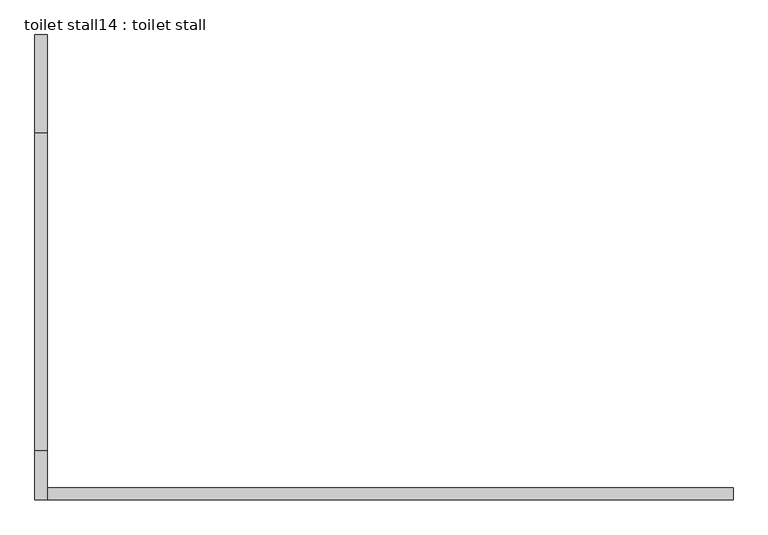
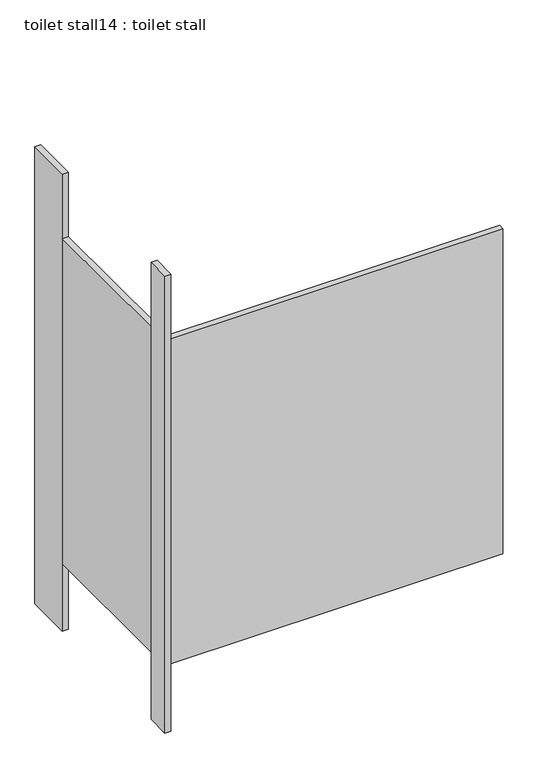
"""IFC4 building model written with IfcOpenShell, lengths in millimetres: proxy geometry, toilet stall14 : toilet stall."""

from ifc_helpers import new_model, si_unit, frame, origin, origin_with_axes, place, context, project, spatial, polyline, outline, extrude, source, transform, mapped, element, save


def toilet_stall14_toilet_stall_0826a6cd(model_context):
    return source(origin(), model_context, "Body", "SweptSolid", [
        extrude(outline(polyline([(454658.2004676, -278241.8988632), (454632.8004676, -278241.8988632), (454632.8004676, -278038.6988632), (454658.2004676, -278038.6988632), (454658.2004676, -278241.8988632)])), origin_with_axes(), (0.0, 0.0, 1.0), 2070.1),
        extrude(outline(polyline([(454658.2004676, -279003.8988632), (454632.8004676, -279003.8988632), (454632.8004676, -278902.2988632), (454658.2004676, -278902.2988632), (454658.2004676, -279003.8988632)])), origin_with_axes(), (0.0, 0.0, 1.0), 2070.1),
        extrude(outline(polyline([(454658.2004676, -279003.8988632), (454658.2004676, -278978.4988632), (456080.6004676, -278978.4988632), (456080.6004676, -279003.8988632), (454658.2004676, -279003.8988632)])), frame((0.0, 0.0, 304.8), z_axis=(0.0, 0.0, 1.0), x_axis=(1.0, 0.0, 0.0)), (0.0, 0.0, 1.0), 1473.2),
        extrude(outline(polyline([(454658.2004676, -278902.2988632), (454632.8004676, -278902.2988632), (454632.8004676, -278241.8988632), (454658.2004676, -278241.8988632), (454658.2004676, -278902.2988632)])), frame((0.0, 0.0, 304.8), z_axis=(0.0, 0.0, 1.0), x_axis=(1.0, 0.0, 0.0)), (0.0, 0.0, 1.0), 1473.2),
    ])


if __name__ == "__main__":
    model = new_model("IFC4")
    model_context = context("Model", 3, world=origin())
    ifc_project = project(units=[si_unit("LENGTHUNIT", "METRE", prefix="MILLI")], contexts=[model_context])
    site = spatial("IfcSite", under=ifc_project)
    building = spatial("IfcBuilding", under=site)
    placement = place(None, origin())
    toilet_stall14_toilet_stall_shape = toilet_stall14_toilet_stall_0826a6cd(model_context)
    element("IfcBuildingElementProxy", 1, Name="toilet stall14 : toilet stall", ObjectType="toilet stall14 : toilet stall", at=placement, inside=building, context=model_context, shape_type="MappedRepresentation", body=[
        mapped(toilet_stall14_toilet_stall_shape, transform((0.0, 0.0, 0.0), x_axis=(1.0, 0.0, 0.0), y_axis=(0.0, 1.0, 0.0), z_axis=(0.0, 0.0, 1.0))),
    ])
    save(model, "model.ifc")
